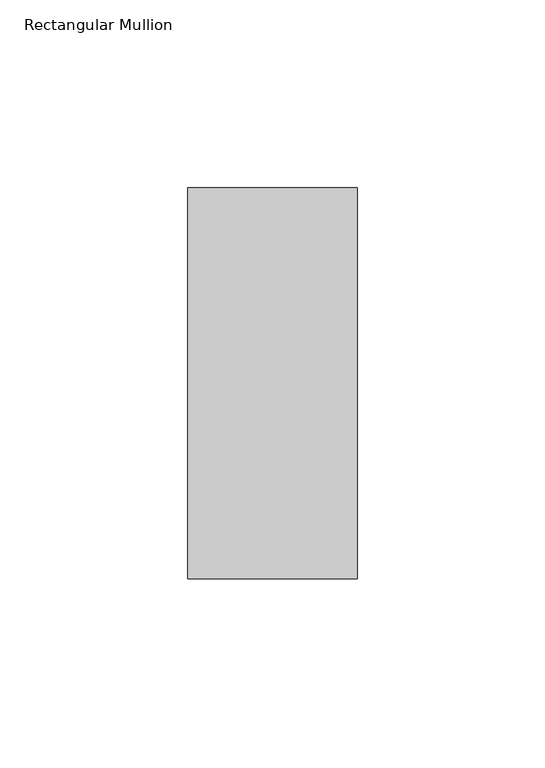
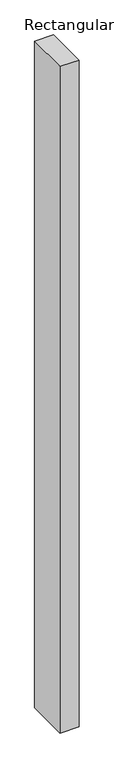
"""IFC4 building model written with IfcOpenShell, lengths in millimetres: member geometry, Rectangular Mullion."""

from ifc_helpers import new_model, si_unit, frame, origin, place, context, project, spatial, polyline, outline, extrude, source, transform, mapped, element, save


def rectangular_mullion_c1b6a031(model_context):
    return source(origin(), model_context, "Body", "SweptSolid", [
        extrude(outline(polyline([(0.0, 67.525), (0.0, -36.525), (-45.0, -36.525), (-45.0, 67.525), (0.0, 67.525)])), frame((0.0, 0.0, -1674.2708705), z_axis=(0.0, 0.0, 1.0), x_axis=(1.0, 0.0, 0.0)), (0.0, 0.0, 1.0), 1674.2708705),
    ])


if __name__ == "__main__":
    model = new_model("IFC4")
    model_context = context("Model", 3, world=origin())
    ifc_project = project(units=[si_unit("LENGTHUNIT", "METRE", prefix="MILLI")], contexts=[model_context])
    site = spatial("IfcSite", under=ifc_project)
    building = spatial("IfcBuilding", under=site)
    placement = place(None, origin())
    rectangular_mullion_shape = rectangular_mullion_c1b6a031(model_context)
    element("IfcMember", 1, ObjectType="Rectangular Mullion", at=placement, inside=building, context=model_context, shape_type="MappedRepresentation", body=[
        mapped(rectangular_mullion_shape, transform((0.0, 0.0, 0.0), x_axis=(1.0, 0.0, 0.0), y_axis=(0.0, 1.0, 0.0), z_axis=(0.0, 0.0, 1.0))),
    ])
    save(model, "model.ifc")
